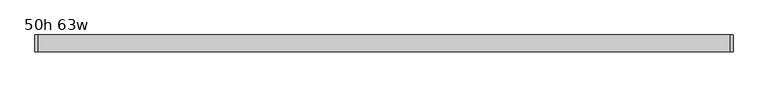
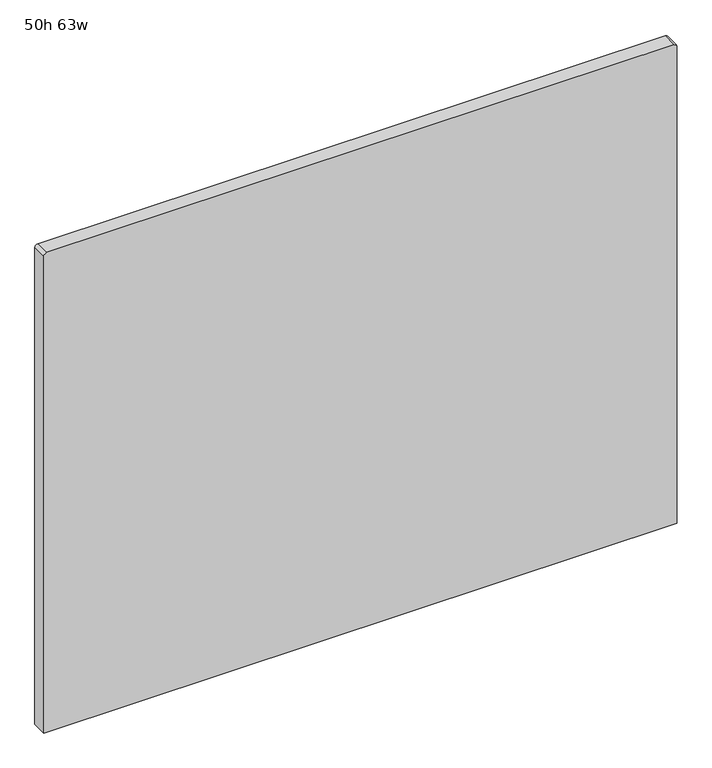
"""IFC4 building model written with IfcOpenShell, lengths in millimetres: furniture geometry, 50h 63w."""

from ifc_helpers import new_model, si_unit, point, frame, frame_2d, origin, place, context, project, spatial, polyline, circle_curve, trimmed, segment, composite_curve, outline, extrude, source, transform, mapped, element, save


def furniture_50h_63w_d249b580(model_context):
    return source(origin(), model_context, "Body", "SweptSolid", [
        extrude(outline(composite_curve([segment(polyline([(1270.0, 753.1479564), (1270.0, -818.4770436)]), True, "CONTINUOUS"), segment(trimmed(circle_curve(frame_2d((1262.0625, -818.4770436)), 7.9375), [point((1270.0, -818.4770436))], [point((1262.0625, -826.4145436))], False, "CARTESIAN"), True, "CONTINUOUS"), segment(polyline([(1262.0625, -826.4145436), (0.0, -826.4145436), (0.0, 761.0854564), (1262.0625, 761.0854564)]), True, "CONTINUOUS"), segment(trimmed(circle_curve(frame_2d((1262.0625, 753.1479564)), 7.9375), [point((1262.0625, 761.0854564))], [point((1270.0, 753.1479564))], False, "CARTESIAN"), True, "CONTINUOUS")], self_intersect=False)), frame((0.0, -19.05, 0.0), z_axis=(0.0, 1.0, 0.0), x_axis=(0.0, 0.0, 1.0)), (0.0, 0.0, 1.0), 38.1),
    ])


if __name__ == "__main__":
    model = new_model("IFC4")
    model_context = context("Model", 3, world=origin())
    ifc_project = project(units=[si_unit("LENGTHUNIT", "METRE", prefix="MILLI")], contexts=[model_context])
    site = spatial("IfcSite", under=ifc_project)
    building = spatial("IfcBuilding", under=site)
    placement = place(None, origin())
    furniture_50h_63w_shape = furniture_50h_63w_d249b580(model_context)
    element("IfcFurniture", 1, ObjectType="50h 63w", at=placement, inside=building, context=model_context, shape_type="MappedRepresentation", body=[
        mapped(furniture_50h_63w_shape, transform((0.0, 0.0, 0.0), x_axis=(1.0, 0.0, 0.0), y_axis=(0.0, 1.0, 0.0), z_axis=(0.0, 0.0, 1.0))),
    ])
    save(model, "model.ifc")
